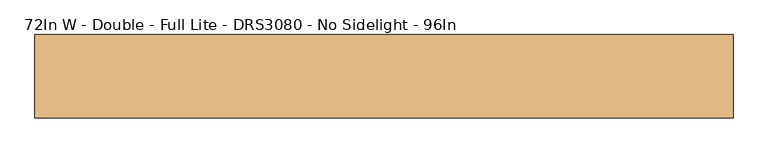
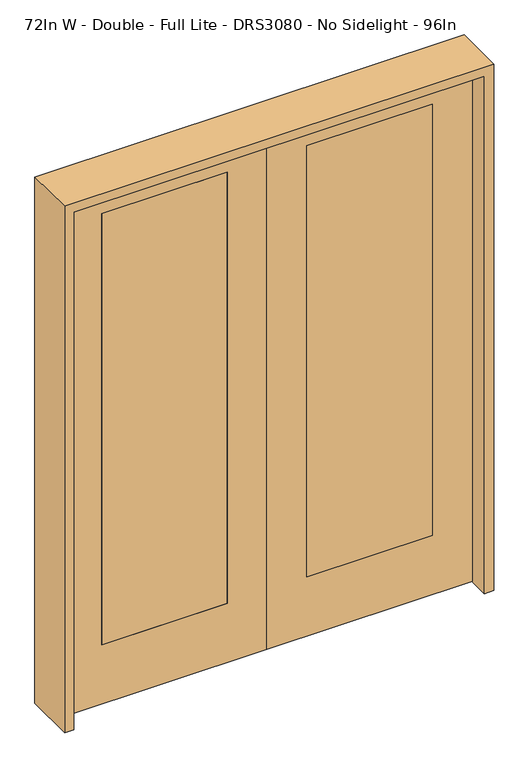
"""IFC4 building model written with IfcOpenShell, lengths in millimetres: door geometry, 72In W - Double - Full Lite - DRS3080 - No Sidelight - 96In."""

from ifc_helpers import new_model, si_unit, frame, origin, place, context, project, spatial, polyline, outline, extrude, source, transform, mapped, element, save


def door_72in_w_double_full_lite_drs3080_no_sidelight_96in_5c179417(model_context):
    return source(origin(), model_context, "Body", "SweptSolid", [
        extrude(outline(polyline([(2438.4, 914.4), (2438.4, 0.0), (0.0, 0.0), (0.0, 914.4), (2438.4, 914.4)]), holes=[polyline([(279.4, 736.6), (279.4, 177.8), (2311.4, 177.8), (2311.4, 736.6), (279.4, 736.6)])]), frame((0.0, -20.6375, 0.0), z_axis=(0.0, 1.0, 0.0), x_axis=(0.0, 0.0, 1.0)), (0.0, 0.0, 1.0), 41.275),
        extrude(outline(polyline([(177.8, 20.6375), (736.6, 20.6375), (736.6, -20.6375), (177.8, -20.6375), (177.8, 20.6375)])), frame((0.0, 0.0, 279.4), z_axis=(0.0, 0.0, 1.0), x_axis=(1.0, 0.0, 0.0)), (0.0, 0.0, 1.0), 2032.0),
        extrude(outline(polyline([(2438.4, -914.4), (0.0, -914.4), (0.0, 0.0), (2438.4, 0.0), (2438.4, -914.4)]), holes=[polyline([(279.4, -736.6), (2311.4, -736.6), (2311.4, -177.8), (279.4, -177.8), (279.4, -736.6)])]), frame((0.0, -20.6375, 0.0), z_axis=(0.0, 1.0, 0.0), x_axis=(0.0, 0.0, 1.0)), (0.0, 0.0, 1.0), 41.275),
        extrude(outline(polyline([(-177.8, 20.6375), (-177.8, -20.6375), (-736.6, -20.6375), (-736.6, 20.6375), (-177.8, 20.6375)])), frame((0.0, 0.0, 279.4), z_axis=(0.0, 0.0, 1.0), x_axis=(1.0, 0.0, 0.0)), (0.0, 0.0, 1.0), 2032.0),
        extrude(outline(polyline([(2479.675, -955.675), (0.0, -955.675), (0.0, -914.4), (2438.4, -914.4), (2438.4, 914.4), (0.0, 914.4), (0.0, 955.675), (2479.675, 955.675), (2479.675, -955.675)])), frame((0.0, -114.3, 0.0), z_axis=(0.0, 1.0, 0.0), x_axis=(0.0, 0.0, 1.0)), (0.0, 0.0, 1.0), 228.6),
    ])


if __name__ == "__main__":
    model = new_model("IFC4")
    model_context = context("Model", 3, world=origin())
    ifc_project = project(units=[si_unit("LENGTHUNIT", "METRE", prefix="MILLI")], contexts=[model_context])
    site = spatial("IfcSite", under=ifc_project)
    building = spatial("IfcBuilding", under=site)
    placement = place(None, origin())
    door_72in_w_double_full_lite_drs3080_no_sidelight_96in_shape = door_72in_w_double_full_lite_drs3080_no_sidelight_96in_5c179417(model_context)
    element("IfcDoor", 1, ObjectType="72In W - Double - Full Lite - DRS3080 - No Sidelight - 96In", at=placement, inside=building, context=model_context, shape_type="MappedRepresentation", body=[
        mapped(door_72in_w_double_full_lite_drs3080_no_sidelight_96in_shape, transform((0.0, 0.0, 0.0), x_axis=(1.0, 0.0, 0.0), y_axis=(0.0, 1.0, 0.0), z_axis=(0.0, 0.0, 1.0))),
    ])
    save(model, "model.ifc")
